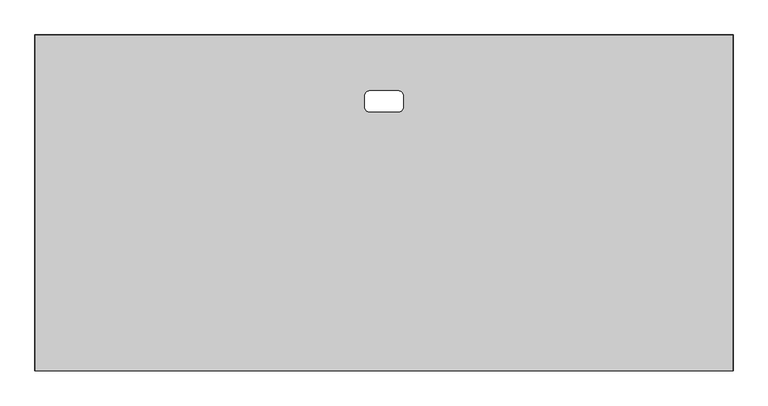
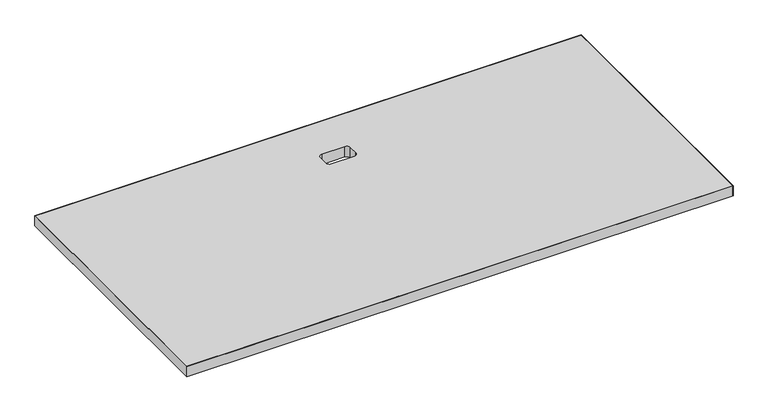
"""IFC4 building model written with IfcOpenShell, lengths in millimetres: furniture geometry."""

from ifc_helpers import new_model, si_unit, point, frame, frame_2d, origin, place, context, project, spatial, polyline, circle_curve, trimmed, segment, composite_curve, outline, extrude, source, transform, mapped, element, save


def furniture_0eb55638(model_context):
    return source(origin(), model_context, "Body", "SweptSolid", [
        extrude(outline(polyline([(1522.984, -1.016), (1522.984, -732.5359908), (1.016, -732.5359908), (1.016, -1.016), (1522.984, -1.016)]), holes=[composite_curve([segment(trimmed(circle_curve(frame_2d((729.7419944, -131.9530013)), 9.525), [point((729.7419944, -122.4280013))], [point((720.2169944, -131.9530013))], True, "CARTESIAN"), True, "CONTINUOUS"), segment(polyline([(720.2169944, -131.9530013), (720.2169944, -158.3690034)]), True, "CONTINUOUS"), segment(trimmed(circle_curve(frame_2d((729.7419944, -158.3690034)), 9.525), [point((720.2169944, -158.3690034))], [point((729.7419944, -167.8940034))], True, "CARTESIAN"), True, "CONTINUOUS"), segment(polyline([(729.7419944, -167.8940034), (794.2580056, -167.8940034)]), True, "CONTINUOUS"), segment(trimmed(circle_curve(frame_2d((794.2580056, -158.3690397)), 9.5249637), [point((794.2580056, -167.8940034))], [point((803.7829692, -158.3690397))], True, "CARTESIAN"), True, "CONTINUOUS"), segment(polyline([(803.7829692, -158.3690397), (803.7829692, -131.9530013)]), True, "CONTINUOUS"), segment(trimmed(circle_curve(frame_2d((794.2579692, -131.9530013)), 9.525), [point((803.7829692, -131.9530013))], [point((794.2579692, -122.4280013))], True, "CARTESIAN"), True, "CONTINUOUS"), segment(polyline([(794.2579692, -122.4280013), (729.7419944, -122.4280013)]), True, "CONTINUOUS")], self_intersect=False)]), frame((0.0, 0.0, 697.2297529), z_axis=(0.0, 0.0, 1.0), x_axis=(1.0, 0.0, 0.0)), (0.0, 0.0, 1.0), 29.972),
        extrude(outline(polyline([(1524.0, -733.5519908), (0.0, -733.5519908), (0.0, 0.0), (1524.0, 0.0), (1524.0, -733.5519908)]), holes=[polyline([(1522.984, -1.016), (1.016, -1.016), (1.016, -732.5359908), (1522.984, -732.5359908), (1522.984, -1.016)])]), frame((0.0, 0.0, 697.2297529), z_axis=(0.0, 0.0, 1.0), x_axis=(1.0, 0.0, 0.0)), (0.0, 0.0, 1.0), 29.972),
    ])


if __name__ == "__main__":
    model = new_model("IFC4")
    model_context = context("Model", 3, world=origin())
    ifc_project = project(units=[si_unit("LENGTHUNIT", "METRE", prefix="MILLI")], contexts=[model_context])
    site = spatial("IfcSite", under=ifc_project)
    building = spatial("IfcBuilding", under=site)
    placement = place(None, origin())
    furniture_shape = furniture_0eb55638(model_context)
    element("IfcFurniture", 1, at=placement, inside=building, context=model_context, shape_type="MappedRepresentation", body=[
        mapped(furniture_shape, transform((0.0, 0.0, 0.0), x_axis=(1.0, 0.0, 0.0), y_axis=(0.0, 1.0, 0.0), z_axis=(0.0, 0.0, 1.0))),
    ])
    save(model, "model.ifc")
